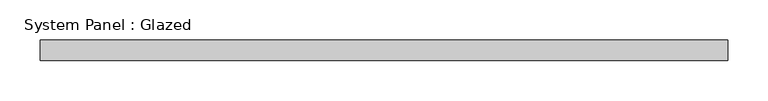
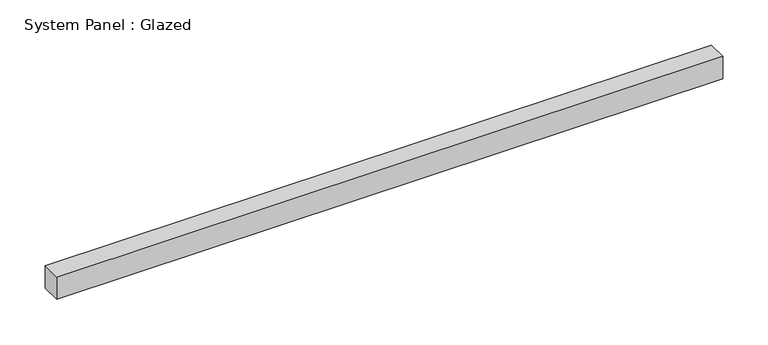
"""IFC4 building model written with IfcOpenShell, lengths in millimetres: plate geometry, System Panel : Glazed."""

from ifc_helpers import new_model, si_unit, origin, origin_with_axes, place, context, project, spatial, polyline, outline, extrude, source, transform, mapped, element, save


def system_panel_glazed_51554c87(model_context):
    return source(origin(), model_context, "Body", "SweptSolid", [
        extrude(outline(polyline([(425.0, 24.5), (-425.0, 24.5), (-425.0, 49.5), (425.0, 49.5), (425.0, 24.5)])), origin_with_axes(), (0.0, 0.0, 1.0), 30.0),
    ])


if __name__ == "__main__":
    model = new_model("IFC4")
    model_context = context("Model", 3, world=origin())
    ifc_project = project(units=[si_unit("LENGTHUNIT", "METRE", prefix="MILLI")], contexts=[model_context])
    site = spatial("IfcSite", under=ifc_project)
    building = spatial("IfcBuilding", under=site)
    placement = place(None, origin())
    system_panel_glazed_shape = system_panel_glazed_51554c87(model_context)
    element("IfcPlate", 1, ObjectType="System Panel : Glazed", at=placement, inside=building, context=model_context, shape_type="MappedRepresentation", body=[
        mapped(system_panel_glazed_shape, transform((0.0, 0.0, 0.0), x_axis=(1.0, 0.0, 0.0), y_axis=(0.0, 1.0, 0.0), z_axis=(0.0, 0.0, 1.0))),
    ])
    save(model, "model.ifc")
